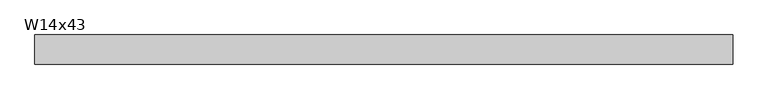
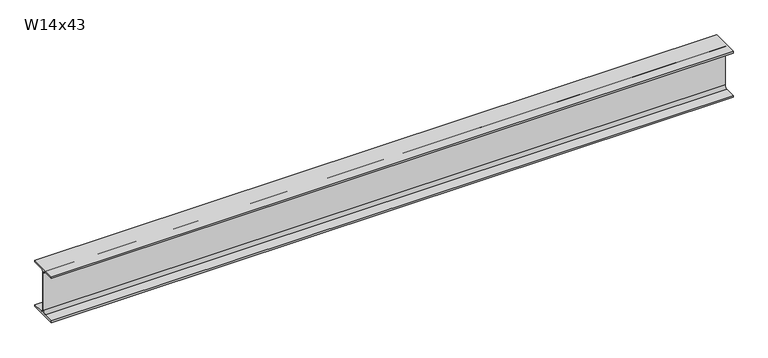
"""IFC4 building model written with IfcOpenShell, lengths in millimetres: beam geometry, W14x43."""

import ifcopenshell
import ifcopenshell.guid

model = None  # the IFC model being written
_history = None  # IfcOwnerHistory: only IFC2X3 demands one
_inside = {}  # id of a spatial element -> (the spatial element, [elements in it])
_under = {}  # id of a project, library or spatial element -> (it, [spatial elements below it])
_declared = {}  # id of a project -> (the project, [libraries it declares])
_typed = {}  # id of a type object -> (the type object, [elements of that type])
_made_of = {}  # id of a material, layer set ... -> (it, [elements and type objects made of it])


def new_model(schema):
    """Start an empty IFC model of exactly this schema.

    Asked for "IFC4X3", IfcOpenShell would pick the latest addendum, in which some entities
    have other attributes; the version numbers below select the first issue.
    IFC2X3 requires an IfcOwnerHistory on every rooted entity: one is made here for all.
    """
    global model, _history
    if schema == "IFC4X3":
        model = ifcopenshell.file(schema_version=(4, 3, 0, 0))
    else:
        model = ifcopenshell.file(schema=schema)
    _inside.clear()
    _under.clear()
    _declared.clear()
    _typed.clear()
    _made_of.clear()
    _history = None
    if model.schema == "IFC2X3":
        org = make("IfcOrganization", Name="unknown")
        user = make(
            "IfcPersonAndOrganization",
            ThePerson=make("IfcPerson", FamilyName="unknown"),
            TheOrganization=org,
        )
        app = make(
            "IfcApplication",
            ApplicationDeveloper=org,
            Version="unknown",
            ApplicationFullName="unknown",
            ApplicationIdentifier="unknown",
        )
        _history = make(
            "IfcOwnerHistory",
            OwningUser=user,
            OwningApplication=app,
            ChangeAction="ADDED",
            CreationDate=0,
        )
    return model


def make(cls, **values):
    """One entity of the class cls with the attributes given. An attribute that is None is left unset."""
    return model.create_entity(
        cls, **{name: value for name, value in values.items() if value is not None}
    )


def rooted(cls, **values):
    """An entity with a GlobalId (a new one), such as an element, a storey or a relation."""
    return make(cls, GlobalId=ifcopenshell.guid.new(), OwnerHistory=_history, **values)


def si_unit(unit_type, name, prefix=None):
    """IfcSIUnit, for example si_unit("LENGTHUNIT", "METRE", prefix="MILLI")."""
    return make("IfcSIUnit", UnitType=unit_type, Prefix=prefix, Name=name)


def assignment(units):
    """IfcUnitAssignment: the units of a project."""
    return None if units is None else make("IfcUnitAssignment", Units=units)


def point(xyz):
    """IfcCartesianPoint."""
    return None if xyz is None else make("IfcCartesianPoint", Coordinates=xyz)


def direction(xyz):
    """IfcDirection."""
    return None if xyz is None else make("IfcDirection", DirectionRatios=xyz)


def frame(location, z_axis=None, x_axis=None):
    """IfcAxis2Placement3D, a coordinate frame: its origin and axes. An axis left out is left unset."""
    return make(
        "IfcAxis2Placement3D",
        Location=point(location),
        Axis=direction(z_axis),
        RefDirection=direction(x_axis),
    )


def frame_2d(location, x_axis=None):
    """IfcAxis2Placement2D, a coordinate frame in the plane: its origin and x axis."""
    return make(
        "IfcAxis2Placement2D", Location=point(location), RefDirection=direction(x_axis)
    )


def origin():
    """The frame at (0, 0, 0) with its axes left unset."""
    return frame((0.0, 0.0, 0.0))


def place(relative_to, where):
    """IfcLocalPlacement: puts the frame where relative to a parent placement (None: the world)."""
    return make(
        "IfcLocalPlacement", PlacementRelTo=relative_to, RelativePlacement=where
    )


def context(
    kind, dimensions, precision=None, world=None, true_north=None, identifier=None
):
    """IfcGeometricRepresentationContext, for example the 3D "Model" context."""
    return make(
        "IfcGeometricRepresentationContext",
        ContextIdentifier=identifier,
        ContextType=kind,
        CoordinateSpaceDimension=dimensions,
        Precision=precision,
        WorldCoordinateSystem=world,
        TrueNorth=true_north,
    )


def project(units=None, contexts=None):
    """IfcProject with its units and contexts."""
    return rooted(
        "IfcProject",
        Name="project",
        RepresentationContexts=contexts,
        UnitsInContext=assignment(units),
    )


def spatial(cls, under=None, at=None, **own):
    """A site, building, storey or space (cls), placed at a placement, below another one or the project."""
    s = rooted(cls, ObjectPlacement=at, **own)
    if under is not None:
        _under.setdefault(under.id(), (under, []))[1].append(s)
    return s


def polyline(points):
    """IfcPolyline through the points."""
    return make("IfcPolyline", Points=[point(p) for p in points])


def circle_curve(where, radius):
    """IfcCircle in the frame where."""
    return make("IfcCircle", Position=where, Radius=radius)


def trimmed(basis, trim1, trim2, sense, master):
    """IfcTrimmedCurve: the piece of a basis curve between two trims."""
    return make(
        "IfcTrimmedCurve",
        BasisCurve=basis,
        Trim1=trim1,
        Trim2=trim2,
        SenseAgreement=sense,
        MasterRepresentation=master,
    )


def segment(curve, same_sense, transition):
    """IfcCompositeCurveSegment."""
    return make(
        "IfcCompositeCurveSegment",
        Transition=transition,
        SameSense=same_sense,
        ParentCurve=curve,
    )


def composite_curve(segments, self_intersect=None):
    """IfcCompositeCurve: segments joined end to end."""
    return make("IfcCompositeCurve", Segments=segments, SelfIntersect=self_intersect)


def outline(outer, holes=None, kind="AREA"):
    """IfcArbitraryClosedProfileDef: a profile drawn as a closed curve; with holes, ...WithVoids."""
    if holes is None:
        return make("IfcArbitraryClosedProfileDef", ProfileType=kind, OuterCurve=outer)
    return make(
        "IfcArbitraryProfileDefWithVoids",
        ProfileType=kind,
        OuterCurve=outer,
        InnerCurves=holes,
    )


def extrude(swept, where, along, depth):
    """IfcExtrudedAreaSolid: the profile swept, set in the frame where, extruded along a direction by depth."""
    return make(
        "IfcExtrudedAreaSolid",
        SweptArea=swept,
        Position=where,
        ExtrudedDirection=direction(along),
        Depth=depth,
    )


def shape(context_of_items, identifier, shape_type, items):
    """IfcShapeRepresentation: the items that make up one representation, for example the "Body"."""
    return make(
        "IfcShapeRepresentation",
        ContextOfItems=context_of_items,
        RepresentationIdentifier=identifier,
        RepresentationType=shape_type,
        Items=items,
    )


def source(mapping_origin, context_of_items, identifier, shape_type, items):
    """IfcRepresentationMap: a shape defined once, which mapped items show again and again."""
    return make(
        "IfcRepresentationMap",
        MappingOrigin=mapping_origin,
        MappedRepresentation=shape(context_of_items, identifier, shape_type, items),
    )


def transform(
    local_origin,
    x_axis=None,
    y_axis=None,
    z_axis=None,
    scale=None,
    scale2=None,
    scale3=None,
    uniform=True,
):
    """IfcCartesianTransformationOperator3D, or its non-uniform kind. x_axis, y_axis, z_axis: its Axis1, 2, 3."""
    if uniform:
        return make(
            "IfcCartesianTransformationOperator3D",
            Axis1=direction(x_axis),
            Axis2=direction(y_axis),
            LocalOrigin=point(local_origin),
            Scale=scale,
            Axis3=direction(z_axis),
        )
    return make(
        "IfcCartesianTransformationOperator3DnonUniform",
        Axis1=direction(x_axis),
        Axis2=direction(y_axis),
        LocalOrigin=point(local_origin),
        Scale=scale,
        Axis3=direction(z_axis),
        Scale2=scale2,
        Scale3=scale3,
    )


def mapped(mapping_source, mapping_target):
    """IfcMappedItem: shows the shape of a source again, moved by a transform."""
    return make(
        "IfcMappedItem", MappingSource=mapping_source, MappingTarget=mapping_target
    )


def made_of(thing, what):
    """Note that an element or type object is made of a material, layer set ...; save() writes the relation."""
    if what is not None:
        _made_of.setdefault(what.id(), (what, []))[1].append(thing)
    return thing


def element(
    cls,
    number,
    at=None,
    inside=None,
    cuts=None,
    type_object=None,
    material=None,
    context=None,
    identifier="Body",
    shape_type=None,
    held_by="IfcProductDefinitionShape",
    body=None,
    shapes=None,
    **own,
):
    """One element of the class cls, such as IfcWall. Its Tag is "e" and its number.

    at: its placement. inside: the storey or other place that contains it. cuts: it is an
    opening in that element (IfcRelVoidsElement). A single representation is given by context,
    identifier, shape_type and body (its items); several are given by shapes. held_by: the class
    of the entity that holds the representations. save() writes the other relations.
    """
    e = rooted(cls, Tag="e%d" % number, ObjectPlacement=at, **own)
    if body is not None:
        shapes = [shape(context, identifier, shape_type, body)]
    if shapes is not None:
        e.Representation = make(held_by, Representations=shapes)
    if inside is not None:
        _inside.setdefault(inside.id(), (inside, []))[1].append(e)
    if cuts is not None:
        rooted(
            "IfcRelVoidsElement", RelatingBuildingElement=cuts, RelatedOpeningElement=e
        )
    if type_object is not None:
        _typed.setdefault(type_object.id(), (type_object, []))[1].append(e)
    return made_of(e, material)


def aggregate(whole, parts):
    """IfcRelAggregates: a whole, such as a stair, and the parts it consists of."""
    return rooted("IfcRelAggregates", RelatingObject=whole, RelatedObjects=parts)


def save(model, path):
    """Write the relations noted so far, then the file.

    IfcRelAggregates (storeys below a building ...), IfcRelContainedInSpatialStructure (elements
    in a storey), IfcRelDefinesByType, IfcRelAssociatesMaterial and IfcRelDeclares: one each for
    every whole, place, type object, material and project.
    """
    for whole, parts in _under.values():
        aggregate(whole, parts)
    for where, things in _inside.values():
        rooted(
            "IfcRelContainedInSpatialStructure",
            RelatedElements=things,
            RelatingStructure=where,
        )
    for kind, things in _typed.values():
        rooted("IfcRelDefinesByType", RelatedObjects=things, RelatingType=kind)
    for what, things in _made_of.values():
        rooted("IfcRelAssociatesMaterial", RelatedObjects=things, RelatingMaterial=what)
    for by, libraries in _declared.values():
        rooted("IfcRelDeclares", RelatingContext=by, RelatedDefinitions=libraries)
    model.write(path)


def w14x43_57d22340(model_context):
    return source(origin(), model_context, "Body", "SweptSolid", [
        extrude(outline(composite_curve([segment(polyline([(101.6, -160.528), (101.6, -173.99), (-101.6, -173.99), (-101.6, -160.528), (-25.3365, -160.528)]), True, "CONTINUOUS"), segment(trimmed(circle_curve(frame_2d((-25.3365, -139.065)), 21.463), [point((-25.3365, -160.528))], [point((-3.8735, -139.065))], True, "CARTESIAN"), True, "CONTINUOUS"), segment(polyline([(-3.8735, -139.065), (-3.8735, 139.065)]), True, "CONTINUOUS"), segment(trimmed(circle_curve(frame_2d((-25.3365, 139.065)), 21.463), [point((-3.8735, 139.065))], [point((-25.3365, 160.528))], True, "CARTESIAN"), True, "CONTINUOUS"), segment(polyline([(-25.3365, 160.528), (-101.6, 160.528), (-101.6, 173.99), (101.6, 173.99), (101.6, 160.528), (25.3365, 160.528)]), True, "CONTINUOUS"), segment(trimmed(circle_curve(frame_2d((25.3365, 139.065)), 21.463), [point((25.3365, 160.528))], [point((3.8735, 139.065))], True, "CARTESIAN"), True, "CONTINUOUS"), segment(polyline([(3.8735, 139.065), (3.8735, -139.065)]), True, "CONTINUOUS"), segment(trimmed(circle_curve(frame_2d((25.3365, -139.065)), 21.463), [point((3.8735, -139.065))], [point((25.3365, -160.528))], True, "CARTESIAN"), True, "CONTINUOUS"), segment(polyline([(25.3365, -160.528), (101.6, -160.528)]), True, "CONTINUOUS")], self_intersect=False)), frame((-2425.6999994, 0.0, 0.0), z_axis=(1.0, 0.0, 0.0), x_axis=(0.0, 1.0, 0.0)), (0.0, 0.0, 1.0), 4864.0999994),
    ])


if __name__ == "__main__":
    model = new_model("IFC4")
    model_context = context("Model", 3, world=origin())
    ifc_project = project(units=[si_unit("LENGTHUNIT", "METRE", prefix="MILLI")], contexts=[model_context])
    site = spatial("IfcSite", under=ifc_project)
    building = spatial("IfcBuilding", under=site)
    placement = place(None, origin())
    w14x43_shape = w14x43_57d22340(model_context)
    element("IfcBeam", 1, ObjectType="W14x43", at=placement, inside=building, context=model_context, shape_type="MappedRepresentation", body=[
        mapped(w14x43_shape, transform((0.0, 0.0, 0.0), x_axis=(1.0, 0.0, 0.0), y_axis=(0.0, 1.0, 0.0), z_axis=(0.0, 0.0, 1.0))),
    ])
    save(model, "model.ifc")
